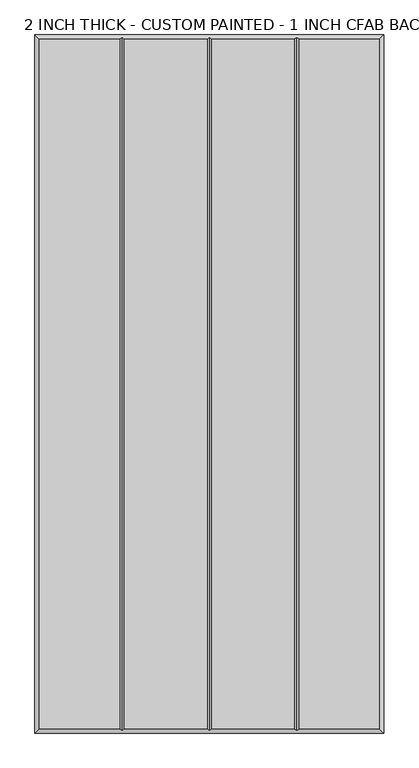
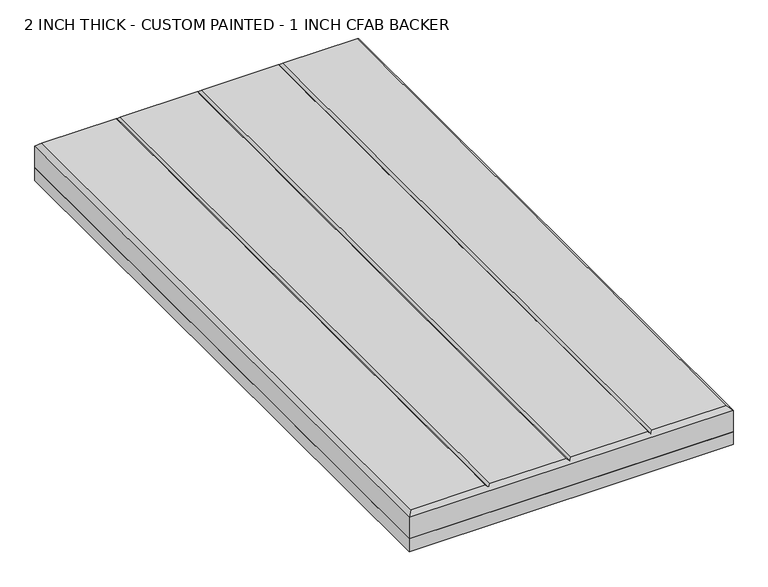
"""IFC4 building model written with IfcOpenShell, lengths in millimetres: proxy geometry, 2 INCH THICK - CUSTOM PAINTED - 1 INCH CFAB BACKER."""

import ifcopenshell
import ifcopenshell.guid

model = None  # the IFC model being written
_history = None  # IfcOwnerHistory: only IFC2X3 demands one
_inside = {}  # id of a spatial element -> (the spatial element, [elements in it])
_under = {}  # id of a project, library or spatial element -> (it, [spatial elements below it])
_declared = {}  # id of a project -> (the project, [libraries it declares])
_typed = {}  # id of a type object -> (the type object, [elements of that type])
_made_of = {}  # id of a material, layer set ... -> (it, [elements and type objects made of it])


def new_model(schema):
    """Start an empty IFC model of exactly this schema.

    Asked for "IFC4X3", IfcOpenShell would pick the latest addendum, in which some entities
    have other attributes; the version numbers below select the first issue.
    IFC2X3 requires an IfcOwnerHistory on every rooted entity: one is made here for all.
    """
    global model, _history
    if schema == "IFC4X3":
        model = ifcopenshell.file(schema_version=(4, 3, 0, 0))
    else:
        model = ifcopenshell.file(schema=schema)
    _inside.clear()
    _under.clear()
    _declared.clear()
    _typed.clear()
    _made_of.clear()
    _history = None
    if model.schema == "IFC2X3":
        org = make("IfcOrganization", Name="unknown")
        user = make(
            "IfcPersonAndOrganization",
            ThePerson=make("IfcPerson", FamilyName="unknown"),
            TheOrganization=org,
        )
        app = make(
            "IfcApplication",
            ApplicationDeveloper=org,
            Version="unknown",
            ApplicationFullName="unknown",
            ApplicationIdentifier="unknown",
        )
        _history = make(
            "IfcOwnerHistory",
            OwningUser=user,
            OwningApplication=app,
            ChangeAction="ADDED",
            CreationDate=0,
        )
    return model


def make(cls, **values):
    """One entity of the class cls with the attributes given. An attribute that is None is left unset."""
    return model.create_entity(
        cls, **{name: value for name, value in values.items() if value is not None}
    )


def rooted(cls, **values):
    """An entity with a GlobalId (a new one), such as an element, a storey or a relation."""
    return make(cls, GlobalId=ifcopenshell.guid.new(), OwnerHistory=_history, **values)


def si_unit(unit_type, name, prefix=None):
    """IfcSIUnit, for example si_unit("LENGTHUNIT", "METRE", prefix="MILLI")."""
    return make("IfcSIUnit", UnitType=unit_type, Prefix=prefix, Name=name)


def assignment(units):
    """IfcUnitAssignment: the units of a project."""
    return None if units is None else make("IfcUnitAssignment", Units=units)


def point(xyz):
    """IfcCartesianPoint."""
    return None if xyz is None else make("IfcCartesianPoint", Coordinates=xyz)


def direction(xyz):
    """IfcDirection."""
    return None if xyz is None else make("IfcDirection", DirectionRatios=xyz)


def frame(location, z_axis=None, x_axis=None):
    """IfcAxis2Placement3D, a coordinate frame: its origin and axes. An axis left out is left unset."""
    return make(
        "IfcAxis2Placement3D",
        Location=point(location),
        Axis=direction(z_axis),
        RefDirection=direction(x_axis),
    )


def origin():
    """The frame at (0, 0, 0) with its axes left unset."""
    return frame((0.0, 0.0, 0.0))


def place(relative_to, where):
    """IfcLocalPlacement: puts the frame where relative to a parent placement (None: the world)."""
    return make(
        "IfcLocalPlacement", PlacementRelTo=relative_to, RelativePlacement=where
    )


def context(
    kind, dimensions, precision=None, world=None, true_north=None, identifier=None
):
    """IfcGeometricRepresentationContext, for example the 3D "Model" context."""
    return make(
        "IfcGeometricRepresentationContext",
        ContextIdentifier=identifier,
        ContextType=kind,
        CoordinateSpaceDimension=dimensions,
        Precision=precision,
        WorldCoordinateSystem=world,
        TrueNorth=true_north,
    )


def project(units=None, contexts=None):
    """IfcProject with its units and contexts."""
    return rooted(
        "IfcProject",
        Name="project",
        RepresentationContexts=contexts,
        UnitsInContext=assignment(units),
    )


def spatial(cls, under=None, at=None, **own):
    """A site, building, storey or space (cls), placed at a placement, below another one or the project."""
    s = rooted(cls, ObjectPlacement=at, **own)
    if under is not None:
        _under.setdefault(under.id(), (under, []))[1].append(s)
    return s


def polyline(points):
    """IfcPolyline through the points."""
    return make("IfcPolyline", Points=[point(p) for p in points])


def outline(outer, holes=None, kind="AREA"):
    """IfcArbitraryClosedProfileDef: a profile drawn as a closed curve; with holes, ...WithVoids."""
    if holes is None:
        return make("IfcArbitraryClosedProfileDef", ProfileType=kind, OuterCurve=outer)
    return make(
        "IfcArbitraryProfileDefWithVoids",
        ProfileType=kind,
        OuterCurve=outer,
        InnerCurves=holes,
    )


def extrude(swept, where, along, depth):
    """IfcExtrudedAreaSolid: the profile swept, set in the frame where, extruded along a direction by depth."""
    return make(
        "IfcExtrudedAreaSolid",
        SweptArea=swept,
        Position=where,
        ExtrudedDirection=direction(along),
        Depth=depth,
    )


def faces_of(points, faces, orient=None, outer=None):
    """IfcFace entities. A face is a list of loops; a loop is a list of indices into points, from 0.

    orient and outer hold one flag for each loop. By default every Orientation is true, the
    first loop of a face is its IfcFaceOuterBound and the others are IfcFaceBound.
    """
    made = []
    for i, loops in enumerate(faces):
        bounds = []
        for j, loop in enumerate(loops):
            is_outer = j == 0 if outer is None else outer[i][j]
            bounds.append(
                make(
                    "IfcFaceOuterBound" if is_outer else "IfcFaceBound",
                    Bound=make("IfcPolyLoop", Polygon=[points[k] for k in loop]),
                    Orientation=True if orient is None else orient[i][j],
                )
            )
        made.append(make("IfcFace", Bounds=bounds))
    return made


def faceted_brep(points, faces, orient=None, outer=None, voids=None):
    """IfcFacetedBrep: a solid bounded by flat faces; with voids (closed shells), ...WithVoids."""
    shared = [point(p) for p in points]
    hull = make("IfcClosedShell", CfsFaces=faces_of(shared, faces, orient, outer))
    if voids is None:
        return make("IfcFacetedBrep", Outer=hull)
    return make(
        "IfcFacetedBrepWithVoids",
        Outer=hull,
        Voids=[
            make(cls, CfsFaces=faces_of(shared, fs, o, b)) for cls, fs, o, b in voids
        ],
    )


def shape(context_of_items, identifier, shape_type, items):
    """IfcShapeRepresentation: the items that make up one representation, for example the "Body"."""
    return make(
        "IfcShapeRepresentation",
        ContextOfItems=context_of_items,
        RepresentationIdentifier=identifier,
        RepresentationType=shape_type,
        Items=items,
    )


def source(mapping_origin, context_of_items, identifier, shape_type, items):
    """IfcRepresentationMap: a shape defined once, which mapped items show again and again."""
    return make(
        "IfcRepresentationMap",
        MappingOrigin=mapping_origin,
        MappedRepresentation=shape(context_of_items, identifier, shape_type, items),
    )


def transform(
    local_origin,
    x_axis=None,
    y_axis=None,
    z_axis=None,
    scale=None,
    scale2=None,
    scale3=None,
    uniform=True,
):
    """IfcCartesianTransformationOperator3D, or its non-uniform kind. x_axis, y_axis, z_axis: its Axis1, 2, 3."""
    if uniform:
        return make(
            "IfcCartesianTransformationOperator3D",
            Axis1=direction(x_axis),
            Axis2=direction(y_axis),
            LocalOrigin=point(local_origin),
            Scale=scale,
            Axis3=direction(z_axis),
        )
    return make(
        "IfcCartesianTransformationOperator3DnonUniform",
        Axis1=direction(x_axis),
        Axis2=direction(y_axis),
        LocalOrigin=point(local_origin),
        Scale=scale,
        Axis3=direction(z_axis),
        Scale2=scale2,
        Scale3=scale3,
    )


def mapped(mapping_source, mapping_target):
    """IfcMappedItem: shows the shape of a source again, moved by a transform."""
    return make(
        "IfcMappedItem", MappingSource=mapping_source, MappingTarget=mapping_target
    )


def made_of(thing, what):
    """Note that an element or type object is made of a material, layer set ...; save() writes the relation."""
    if what is not None:
        _made_of.setdefault(what.id(), (what, []))[1].append(thing)
    return thing


def element(
    cls,
    number,
    at=None,
    inside=None,
    cuts=None,
    type_object=None,
    material=None,
    context=None,
    identifier="Body",
    shape_type=None,
    held_by="IfcProductDefinitionShape",
    body=None,
    shapes=None,
    **own,
):
    """One element of the class cls, such as IfcWall. Its Tag is "e" and its number.

    at: its placement. inside: the storey or other place that contains it. cuts: it is an
    opening in that element (IfcRelVoidsElement). A single representation is given by context,
    identifier, shape_type and body (its items); several are given by shapes. held_by: the class
    of the entity that holds the representations. save() writes the other relations.
    """
    e = rooted(cls, Tag="e%d" % number, ObjectPlacement=at, **own)
    if body is not None:
        shapes = [shape(context, identifier, shape_type, body)]
    if shapes is not None:
        e.Representation = make(held_by, Representations=shapes)
    if inside is not None:
        _inside.setdefault(inside.id(), (inside, []))[1].append(e)
    if cuts is not None:
        rooted(
            "IfcRelVoidsElement", RelatingBuildingElement=cuts, RelatedOpeningElement=e
        )
    if type_object is not None:
        _typed.setdefault(type_object.id(), (type_object, []))[1].append(e)
    return made_of(e, material)


def aggregate(whole, parts):
    """IfcRelAggregates: a whole, such as a stair, and the parts it consists of."""
    return rooted("IfcRelAggregates", RelatingObject=whole, RelatedObjects=parts)


def save(model, path):
    """Write the relations noted so far, then the file.

    IfcRelAggregates (storeys below a building ...), IfcRelContainedInSpatialStructure (elements
    in a storey), IfcRelDefinesByType, IfcRelAssociatesMaterial and IfcRelDeclares: one each for
    every whole, place, type object, material and project.
    """
    for whole, parts in _under.values():
        aggregate(whole, parts)
    for where, things in _inside.values():
        rooted(
            "IfcRelContainedInSpatialStructure",
            RelatedElements=things,
            RelatingStructure=where,
        )
    for kind, things in _typed.values():
        rooted("IfcRelDefinesByType", RelatedObjects=things, RelatingType=kind)
    for what, things in _made_of.values():
        rooted("IfcRelAssociatesMaterial", RelatedObjects=things, RelatingMaterial=what)
    for by, libraries in _declared.values():
        rooted("IfcRelDeclares", RelatingContext=by, RelatedDefinitions=libraries)
    model.write(path)


def proxy_2_inch_thick_custom_painted_1_inch_cfab_backer_dbdf0958(model_context):
    return source(origin(), model_context, "Body", "SolidModel", [
        extrude(outline(polyline([(-304.8, 609.6), (304.8, 609.6), (304.8, -609.6), (-304.8, -609.6), (-304.8, 609.6)])), frame((0.0, 0.0, -25.4), z_axis=(0.0, 0.0, 1.0), x_axis=(1.0, 0.0, 0.0)), (0.0, 0.0, 1.0), 25.4),
        faceted_brep([(-296.799, 601.599, 50.8), (-296.799, -601.599, 50.8), (-156.4009826, -601.599, 50.8), (-156.4009826, 601.599, 50.8), (296.799, -601.599, 50.8), (296.799, 601.599, 50.8), (156.4010334, 601.599, 50.8), (156.4010334, -601.599, 50.8), (-148.3999826, 601.599, 50.8), (-148.3999826, -601.599, 50.8), (-4.0004746, -601.599, 50.8), (-4.0004746, 601.599, 50.8), (4.0005254, 601.599, 50.8), (4.0005254, -601.599, 50.8), (148.4000334, -601.599, 50.8), (148.4000334, 601.599, 50.8), (-304.8, 609.6, 0.0), (304.8, 609.6, 0.0), (304.8, -609.6, 0.0), (-304.8, -609.6, 0.0), (-304.8, -609.6, 42.799), (-304.8, 609.6, 42.799), (304.8, -609.6, 42.799), (304.8, 609.6, 42.799), (-152.4004826, 605.5995, 46.7995), (2.54e-05, 605.5995, 46.7995), (152.4005334, 605.5995, 46.7995), (152.4005334, -605.5995, 46.7995), (2.54e-05, -605.5995, 46.7995), (-152.4004826, -605.5995, 46.7995)], [[[0, 1, 2, 3]], [[4, 5, 6, 7]], [[8, 9, 10, 11]], [[12, 13, 14, 15]], [[16, 17, 18, 19]], [[16, 19, 20, 21]], [[19, 18, 22, 20]], [[18, 17, 23, 22]], [[17, 16, 21, 23]], [[21, 0, 3, 24, 8, 11, 25, 12, 15, 26, 6, 5, 23]], [[0, 21, 20, 1]], [[1, 20, 22, 4, 7, 27, 14, 13, 28, 10, 9, 29, 2]], [[23, 5, 4, 22]], [[24, 29, 9, 8]], [[29, 24, 3, 2]], [[25, 28, 13, 12]], [[28, 25, 11, 10]], [[26, 27, 7, 6]], [[27, 26, 15, 14]]]),
    ])


if __name__ == "__main__":
    model = new_model("IFC4")
    model_context = context("Model", 3, world=origin())
    ifc_project = project(units=[si_unit("LENGTHUNIT", "METRE", prefix="MILLI")], contexts=[model_context])
    site = spatial("IfcSite", under=ifc_project)
    building = spatial("IfcBuilding", under=site)
    placement = place(None, origin())
    proxy_2_inch_thick_custom_painted_1_inch_cfab_backer_shape = proxy_2_inch_thick_custom_painted_1_inch_cfab_backer_dbdf0958(model_context)
    element("IfcBuildingElementProxy", 1, Name="2 INCH THICK - CUSTOM PAINTED - 1 INCH CFAB BACKER", ObjectType="2 INCH THICK - CUSTOM PAINTED - 1 INCH CFAB BACKER", at=placement, inside=building, context=model_context, shape_type="MappedRepresentation", body=[
        mapped(proxy_2_inch_thick_custom_painted_1_inch_cfab_backer_shape, transform((0.0, 0.0, 0.0), x_axis=(1.0, 0.0, 0.0), y_axis=(0.0, 1.0, 0.0), z_axis=(0.0, 0.0, 1.0))),
    ])
    save(model, "model.ifc")
